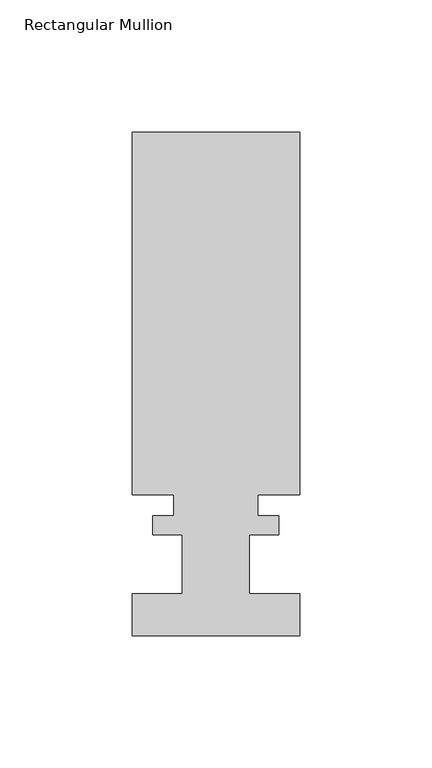
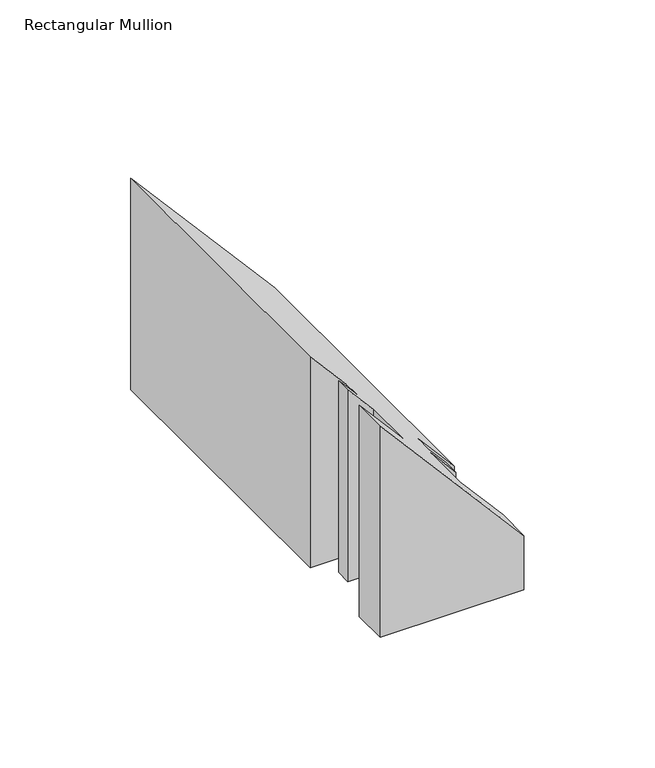
"""IFC4 building model written with IfcOpenShell, lengths in millimetres: member geometry, Rectangular Mullion."""

from ifc_helpers import new_model, si_unit, origin, place, context, project, spatial, faceted_brep, source, transform, mapped, element, save


def rectangular_mullion_57557404(model_context):
    return source(origin(), model_context, "Body", "Brep", [
        faceted_brep([(-31.75, -0.0555625, -232.1163446), (-31.75, 15.8194375, -232.1163446), (-12.7, 15.8194375, -232.1163446), (-12.7, 38.2984375, -232.1163446), (-23.8252, 38.2984375, -232.1163446), (-23.8252, 45.4612375, -232.1163446), (-15.875, 45.4612375, -232.1163446), (-15.875, 53.3606375, -232.1163446), (-31.75, 53.3606375, -232.1163446), (-31.75, 190.6984375, -232.1163446), (31.75, 190.6984375, -232.1163446), (31.75, 53.3606375, -232.1163446), (15.875, 53.3606375, -232.1163446), (15.875, 45.4612375, -232.1163446), (23.8252, 45.4612375, -232.1163446), (23.8252, 38.2984375, -232.1163446), (12.7, 38.2984375, -232.1163446), (12.7, 15.8194375, -232.1163446), (31.75, 15.8194375, -232.1163446), (31.75, -0.0555625, -232.1163446), (31.75, -0.0555625, -206.8518957), (-31.75, -0.0555625, -133.5284115), (31.75, 15.8194375, -206.8518957), (12.7, 15.8194375, -184.8548505), (12.7, 38.2984375, -184.8548505), (23.8252, 38.2984375, -197.7011249), (23.8252, 45.4612375, -197.7011249), (15.875, 45.4612375, -188.5210247), (15.875, 53.3606375, -188.5210247), (31.75, 53.3606375, -206.8518957), (31.75, 190.6984375, -206.8518957), (-31.75, 190.6984375, -133.5284115), (-31.75, 53.3606375, -133.5284115), (-15.875, 53.3606375, -151.8592826), (-15.875, 45.4612375, -151.8592826), (-23.8252, 45.4612375, -142.6791823), (-23.8252, 38.2984375, -142.6791823), (-12.7, 38.2984375, -155.5254568), (-12.7, 15.8194375, -155.5254568), (-31.75, 15.8194375, -133.5284115)], [[[0, 1, 2, 3, 4, 5, 6, 7, 8, 9, 10, 11, 12, 13, 14, 15, 16, 17, 18, 19]], [[20, 21, 0, 19]], [[22, 20, 19, 18]], [[23, 22, 18, 17]], [[24, 23, 17, 16]], [[25, 24, 16, 15]], [[26, 25, 15, 14]], [[27, 26, 14, 13]], [[28, 27, 13, 12]], [[29, 28, 12, 11]], [[30, 29, 11, 10]], [[31, 30, 10, 9]], [[32, 31, 9, 8]], [[33, 32, 8, 7]], [[34, 33, 7, 6]], [[35, 34, 6, 5]], [[36, 35, 5, 4]], [[37, 36, 4, 3]], [[38, 37, 3, 2]], [[39, 38, 2, 1]], [[21, 39, 1, 0]], [[21, 20, 22, 23, 24, 25, 26, 27, 28, 29, 30, 31, 32, 33, 34, 35, 36, 37, 38, 39]]]),
    ])


if __name__ == "__main__":
    model = new_model("IFC4")
    model_context = context("Model", 3, world=origin())
    ifc_project = project(units=[si_unit("LENGTHUNIT", "METRE", prefix="MILLI")], contexts=[model_context])
    site = spatial("IfcSite", under=ifc_project)
    building = spatial("IfcBuilding", under=site)
    placement = place(None, origin())
    rectangular_mullion_shape = rectangular_mullion_57557404(model_context)
    element("IfcMember", 1, ObjectType="Rectangular Mullion", at=placement, inside=building, context=model_context, shape_type="MappedRepresentation", body=[
        mapped(rectangular_mullion_shape, transform((0.0, 0.0, 0.0), x_axis=(1.0, 0.0, 0.0), y_axis=(0.0, 1.0, 0.0), z_axis=(0.0, 0.0, 1.0))),
    ])
    save(model, "model.ifc")
